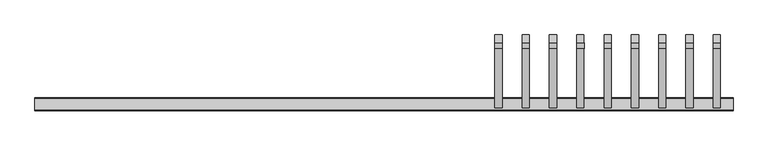
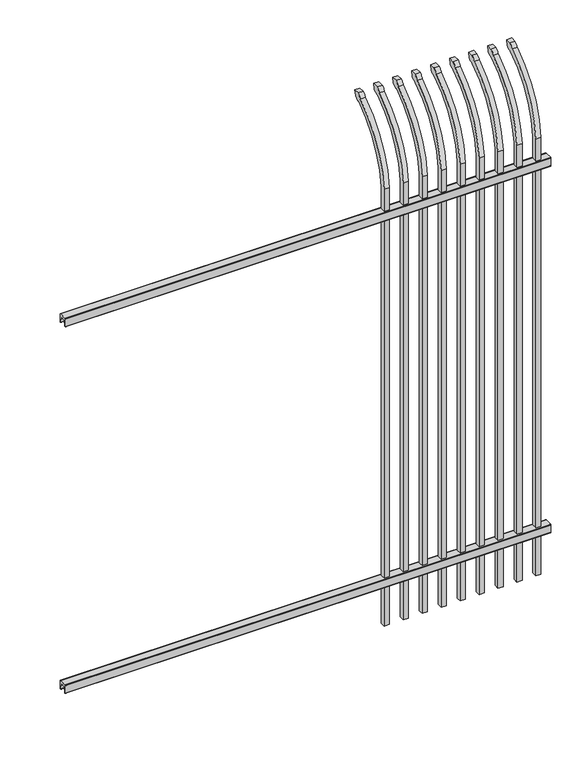
"""IFC4 building model written with IfcOpenShell, lengths in millimetres: railing geometry."""

from ifc_helpers import new_model, si_unit, point, frame, frame_2d, origin, place, context, project, spatial, polyline, circle_curve, ellipse_curve, trimmed, segment, composite_curve, outline, extrude, source, transform, mapped, element, save
from ifc_brep_helpers import plane_surface, cylinder_surface, revolved_surface, extruded_surface, advanced_brep


def railing_5bfc918d(model_context):
    return source(origin(), model_context, "Body", "SolidModel", [
        extrude(outline(composite_curve([segment(polyline([(10349.9139761, 304.8), (10387.969541, 304.8)]), True, "CONTINUOUS"), segment(trimmed(circle_curve(frame_2d((10387.969541, 301.625)), 3.175), [point((10387.969541, 304.8))], [point((10391.144541, 301.625))], False, "CARTESIAN"), True, "CONTINUOUS"), segment(polyline([(10391.144541, 301.625), (10391.144541, 262.1439893)]), True, "CONTINUOUS"), segment(trimmed(circle_curve(frame_2d((10389.3505518, 262.1439893)), 1.7939893), [point((10391.144541, 262.1439893))], [point((10389.3505518, 260.35))], False, "CARTESIAN"), True, "CONTINUOUS"), segment(polyline([(10389.3505518, 260.35), (10386.7590713, 260.35)]), True, "CONTINUOUS"), segment(trimmed(circle_curve(frame_2d((10386.7590713, 262.1359375)), 1.7859375), [point((10386.7590713, 260.35))], [point((10384.9755813, 262.0424688))], False, "CARTESIAN"), True, "CONTINUOUS"), segment(polyline([(10384.9755813, 262.0424688), (10383.4025867, 292.0569942), (10354.4364954, 292.0569942), (10352.8635007, 262.0424688)]), True, "CONTINUOUS"), segment(trimmed(circle_curve(frame_2d((10351.0800108, 262.1359375)), 1.7859375), [point((10352.8635007, 262.0424688))], [point((10351.0800108, 260.35))], False, "CARTESIAN"), True, "CONTINUOUS"), segment(polyline([(10351.0800108, 260.35), (10348.4804785, 260.35)]), True, "CONTINUOUS"), segment(trimmed(circle_curve(frame_2d((10348.4804785, 262.1359375)), 1.7859375), [point((10348.4804785, 260.35))], [point((10346.694541, 262.1359375))], False, "CARTESIAN"), True, "CONTINUOUS"), segment(polyline([(10346.694541, 262.1359375), (10346.694541, 301.5805649)]), True, "CONTINUOUS"), segment(trimmed(circle_curve(frame_2d((10349.9139761, 301.5805649)), 3.2194351), [point((10346.694541, 301.5805649))], [point((10349.9139761, 304.8))], False, "CARTESIAN"), True, "CONTINUOUS")], self_intersect=False)), frame((20019.7350064, 0.0, 0.0), z_axis=(1.0, 0.0, 0.0), x_axis=(0.0, 1.0, 0.0)), (0.0, 0.0, 1.0), 2438.4),
        extrude(outline(composite_curve([segment(polyline([(10349.9139761, 2251.075), (10387.969541, 2251.075)]), True, "CONTINUOUS"), segment(trimmed(circle_curve(frame_2d((10387.969541, 2247.9)), 3.175), [point((10387.969541, 2251.075))], [point((10391.144541, 2247.9))], False, "CARTESIAN"), True, "CONTINUOUS"), segment(polyline([(10391.144541, 2247.9), (10391.144541, 2208.4189893)]), True, "CONTINUOUS"), segment(trimmed(circle_curve(frame_2d((10389.3505518, 2208.4189893)), 1.7939893), [point((10391.144541, 2208.4189893))], [point((10389.3505518, 2206.625))], False, "CARTESIAN"), True, "CONTINUOUS"), segment(polyline([(10389.3505518, 2206.625), (10386.7590713, 2206.625)]), True, "CONTINUOUS"), segment(trimmed(circle_curve(frame_2d((10386.7590713, 2208.4109375)), 1.7859375), [point((10386.7590713, 2206.625))], [point((10384.9755813, 2208.3174688))], False, "CARTESIAN"), True, "CONTINUOUS"), segment(polyline([(10384.9755813, 2208.3174688), (10383.4025867, 2238.3319942), (10354.4364954, 2238.3319942), (10352.8635007, 2208.3174688)]), True, "CONTINUOUS"), segment(trimmed(circle_curve(frame_2d((10351.0800108, 2208.4109375)), 1.7859375), [point((10352.8635007, 2208.3174688))], [point((10351.0800108, 2206.625))], False, "CARTESIAN"), True, "CONTINUOUS"), segment(polyline([(10351.0800108, 2206.625), (10348.4804785, 2206.625)]), True, "CONTINUOUS"), segment(trimmed(circle_curve(frame_2d((10348.4804785, 2208.4109375)), 1.7859375), [point((10348.4804785, 2206.625))], [point((10346.694541, 2208.4109375))], False, "CARTESIAN"), True, "CONTINUOUS"), segment(polyline([(10346.694541, 2208.4109375), (10346.694541, 2247.8555649)]), True, "CONTINUOUS"), segment(trimmed(circle_curve(frame_2d((10349.9139761, 2247.8555649)), 3.2194351), [point((10346.694541, 2247.8555649))], [point((10349.9139761, 2251.075))], False, "CARTESIAN"), True, "CONTINUOUS")], self_intersect=False)), frame((20019.7350064, 0.0, 0.0), z_axis=(1.0, 0.0, 0.0), x_axis=(0.0, 1.0, 0.0)), (0.0, 0.0, 1.0), 2438.4),
        advanced_brep(
        [(22413.6850064, 10381.619541, 50.8), (22413.6850064, 10381.619541, 2368.7226889), (22413.6850064, 10578.7326851, 2700.9022378), (22413.6850064, 10605.2407099, 2715.5867549), (22413.6850064, 10611.1100864, 2743.2), (22413.6850064, 10582.8799449, 2743.2), (22413.6850064, 10563.4931591, 2722.2682561), (22413.6850064, 10356.219541, 2368.7226889), (22413.6850064, 10356.219541, 50.8), (22388.2850064, 10381.619541, 50.8), (22388.2850064, 10381.619541, 2368.7226889), (22388.2850064, 10356.219541, 2368.7226889), (22388.2850064, 10356.219541, 50.8), (22388.2850064, 10563.4931591, 2722.2682561), (22388.2850064, 10582.8799449, 2743.2), (22388.2850064, 10611.1100864, 2743.2), (22388.2850064, 10605.2407099, 2715.5867549), (22388.2850064, 10578.7326851, 2700.9022378)],
        [
            (0, 1),
            (1, 2, circle_curve(frame((22413.6850064, 10818.9874207, 2333.7640776), z_axis=(-1.0, 0.0, 0.0), x_axis=(0.0, 1.0, 0.0)), 438.7627681)),
            (2, 3, ellipse_curve(frame((22413.6850064, 10586.5579376, 2723.3180619), z_axis=(1.0, 0.0, 0.0), x_axis=(0.0, -0.7771459614569761, -0.6293203910498311)), 26.7460194, 19.05)),
            (3, 4),
            (4, 5),
            (5, 6, ellipse_curve(frame((22413.6850064, 10586.5579376, 2723.3180619), z_axis=(0.9999999999999999, 0.0, 0.0), x_axis=(0.0, -0.7771459614569763, -0.6293203910498306)), 26.7460194, 19.05)),
            (6, 7, circle_curve(frame((22413.6850064, 10818.0333244, 2335.5065933), z_axis=(1.0, 0.0, 0.0), x_axis=(0.0, 1.0, 0.0)), 463.0067812)),
            (7, 8),
            (8, 0),
            (0, 9),
            (9, 10),
            (10, 1),
            (7, 11),
            (11, 12),
            (12, 8),
            (12, 9),
            (11, 13, circle_curve(frame((22388.2850064, 10818.0333244, 2335.5065933), z_axis=(-1.0, 0.0, 0.0), x_axis=(0.0, 1.0, 0.0)), 463.0067812)),
            (13, 14, ellipse_curve(frame((22388.2850064, 10586.5579376, 2723.3180619), z_axis=(-0.9999999999999999, 0.0, 0.0), x_axis=(0.0, -0.7771459614569763, -0.6293203910498306)), 26.7460194, 19.05)),
            (14, 15),
            (15, 16),
            (16, 17, ellipse_curve(frame((22388.2850064, 10586.5579376, 2723.3180619), z_axis=(-1.0, 0.0, 0.0), x_axis=(0.0, -0.7771459614569761, -0.6293203910498311)), 26.7460194, 19.05)),
            (17, 10, circle_curve(frame((22388.2850064, 10818.9874207, 2333.7640776), z_axis=(1.0, 0.0, 0.0), x_axis=(0.0, 1.0, 0.0)), 438.7627681)),
            (17, 2),
            (16, 3),
            (15, 4),
            (14, 5),
            (13, 6),
        ],
        [
            plane_surface(frame((22413.6850064, 10381.619541, 50.8), z_axis=(1.0, 0.0, 0.0), x_axis=(0.0, 0.0, 1.0))),
            plane_surface(frame((22413.6850064, 10381.619541, 50.8), z_axis=(0.0, 1.0, 0.0), x_axis=(-1.0, 0.0, 0.0))),
            plane_surface(frame((22413.6850064, 10356.219541, 2368.7226889), z_axis=(0.0, -1.0, 0.0), x_axis=(-1.0, 0.0, 0.0))),
            plane_surface(frame((22413.6850064, 10356.219541, 50.8), z_axis=(0.0, 0.0, -1.0), x_axis=(-1.0, 0.0, 0.0))),
            plane_surface(frame((22388.2850064, 10381.619541, 50.8), z_axis=(-1.0, 0.0, 0.0), x_axis=(0.0, 0.0, -1.0))),
            revolved_surface(polyline([(22388.2850064, 11257.750188799999, 2333.7640776), (22413.6850064, 11257.750188799999, 2333.7640776)]), (22388.2850064, 10818.9874207, 2333.7640776), (-1.0, 0.0, 0.0)),
            extruded_surface(trimmed(ellipse_curve(frame((22362.8850064, 10586.5579376, 2723.3180619), z_axis=(1.0, 0.0, 0.0), x_axis=(0.0, -0.7771459614569761, -0.6293203910498311)), 26.7460194, 19.05), [point((22362.8850064, 10578.7326851, 2700.9022378))], [point((22362.8850064, 10605.2407099, 2715.5867549))], True, "CARTESIAN"), (25.400000000001455, 0.0, 0.0), 25.400000000001455),
            plane_surface(frame((22413.6850064, 10605.2407099, 2715.5867549), z_axis=(0.0, 0.9781476007337995, -0.2079116908177883), x_axis=(-1.0, 0.0, 0.0))),
            plane_surface(frame((22413.6850064, 10611.1100864, 2743.2), z_axis=(0.0, 0.0, 1.0), x_axis=(-1.0, 0.0, 0.0))),
            extruded_surface(trimmed(ellipse_curve(frame((22362.8850064, 10586.5579376, 2723.3180619), z_axis=(0.9999999999999999, 0.0, 0.0), x_axis=(0.0, -0.7771459614569763, -0.6293203910498306)), 26.7460194, 19.05), [point((22362.8850064, 10582.8799449, 2743.2))], [point((22362.8850064, 10563.4931591, 2722.2682561))], True, "CARTESIAN"), (25.400000000001455, 0.0, 0.0), 25.400000000001455),
            cylinder_surface(frame((22388.2850064, 10818.0333244, 2335.5065933), z_axis=(1.0, 0.0, 0.0), x_axis=(0.0, 1.0, 0.0)), 463.0067812),
        ],
        [
            (0, [[1, 2, 3, 4, 5, 6, 7, 8, 9]]),
            (1, [[-1, 10, 11, 12]]),
            (2, [[-8, 13, 14, 15]]),
            (3, [[-9, -15, 16, -10]]),
            (4, [[-16, -14, 17, 18, 19, 20, 21, 22, -11]]),
            (5, [[-2, -12, -22, 23]]),
            (6, [[-3, -23, -21, 24]]),
            (7, [[-4, -24, -20, 25]]),
            (8, [[-5, -25, -19, 26]]),
            (9, [[-6, -26, -18, 27]]),
            (10, [[-7, -27, -17, -13]]),
        ],
    ),
        advanced_brep(
        [(22318.4350064, 10381.619541, 50.8), (22318.4350064, 10381.619541, 2368.7226889), (22318.4350064, 10578.7326851, 2700.9022378), (22318.4350064, 10605.2407099, 2715.5867549), (22318.4350064, 10611.1100864, 2743.2), (22318.4350064, 10582.8799449, 2743.2), (22318.4350064, 10563.4931591, 2722.2682561), (22318.4350064, 10356.219541, 2368.7226889), (22318.4350064, 10356.219541, 50.8), (22293.0350064, 10381.619541, 50.8), (22293.0350064, 10381.619541, 2368.7226889), (22293.0350064, 10356.219541, 2368.7226889), (22293.0350064, 10356.219541, 50.8), (22293.0350064, 10563.4931591, 2722.2682561), (22293.0350064, 10582.8799449, 2743.2), (22293.0350064, 10611.1100864, 2743.2), (22293.0350064, 10605.2407099, 2715.5867549), (22293.0350064, 10578.7326851, 2700.9022378)],
        [
            (0, 1),
            (1, 2, circle_curve(frame((22318.4350064, 10818.9874207, 2333.7640776), z_axis=(-1.0, 0.0, 0.0), x_axis=(0.0, 1.0, 0.0)), 438.7627681)),
            (2, 3, ellipse_curve(frame((22318.4350064, 10586.5579376, 2723.3180619), z_axis=(1.0, 0.0, 0.0), x_axis=(0.0, -0.7771459614569761, -0.6293203910498311)), 26.7460194, 19.05)),
            (3, 4),
            (4, 5),
            (5, 6, ellipse_curve(frame((22318.4350064, 10586.5579376, 2723.3180619), z_axis=(0.9999999999999999, 0.0, 0.0), x_axis=(0.0, -0.7771459614569763, -0.6293203910498306)), 26.7460194, 19.05)),
            (6, 7, circle_curve(frame((22318.4350064, 10818.0333244, 2335.5065933), z_axis=(1.0, 0.0, 0.0), x_axis=(0.0, 1.0, 0.0)), 463.0067812)),
            (7, 8),
            (8, 0),
            (0, 9),
            (9, 10),
            (10, 1),
            (7, 11),
            (11, 12),
            (12, 8),
            (12, 9),
            (11, 13, circle_curve(frame((22293.0350064, 10818.0333244, 2335.5065933), z_axis=(-1.0, 0.0, 0.0), x_axis=(0.0, 1.0, 0.0)), 463.0067812)),
            (13, 14, ellipse_curve(frame((22293.0350064, 10586.5579376, 2723.3180619), z_axis=(-0.9999999999999999, 0.0, 0.0), x_axis=(0.0, -0.7771459614569763, -0.6293203910498306)), 26.7460194, 19.05)),
            (14, 15),
            (15, 16),
            (16, 17, ellipse_curve(frame((22293.0350064, 10586.5579376, 2723.3180619), z_axis=(-1.0, 0.0, 0.0), x_axis=(0.0, -0.7771459614569761, -0.6293203910498311)), 26.7460194, 19.05)),
            (17, 10, circle_curve(frame((22293.0350064, 10818.9874207, 2333.7640776), z_axis=(1.0, 0.0, 0.0), x_axis=(0.0, 1.0, 0.0)), 438.7627681)),
            (17, 2),
            (16, 3),
            (15, 4),
            (14, 5),
            (13, 6),
        ],
        [
            plane_surface(frame((22318.4350064, 10381.619541, 50.8), z_axis=(1.0, 0.0, 0.0), x_axis=(0.0, 0.0, 1.0))),
            plane_surface(frame((22318.4350064, 10381.619541, 50.8), z_axis=(0.0, 1.0, 0.0), x_axis=(-1.0, 0.0, 0.0))),
            plane_surface(frame((22318.4350064, 10356.219541, 2368.7226889), z_axis=(0.0, -1.0, 0.0), x_axis=(-1.0, 0.0, 0.0))),
            plane_surface(frame((22318.4350064, 10356.219541, 50.8), z_axis=(0.0, 0.0, -1.0), x_axis=(-1.0, 0.0, 0.0))),
            plane_surface(frame((22293.0350064, 10381.619541, 50.8), z_axis=(-1.0, 0.0, 0.0), x_axis=(0.0, 0.0, -1.0))),
            revolved_surface(polyline([(22293.0350064, 11257.750188799999, 2333.7640776), (22318.4350064, 11257.750188799999, 2333.7640776)]), (22293.0350064, 10818.9874207, 2333.7640776), (-1.0, 0.0, 0.0)),
            extruded_surface(trimmed(ellipse_curve(frame((22267.6350064, 10586.5579376, 2723.3180619), z_axis=(1.0, 0.0, 0.0), x_axis=(0.0, -0.7771459614569761, -0.6293203910498311)), 26.7460194, 19.05), [point((22267.6350064, 10578.7326851, 2700.9022378))], [point((22267.6350064, 10605.2407099, 2715.5867549))], True, "CARTESIAN"), (25.400000000001455, 0.0, 0.0), 25.400000000001455),
            plane_surface(frame((22318.4350064, 10605.2407099, 2715.5867549), z_axis=(0.0, 0.9781476007337995, -0.2079116908177883), x_axis=(-1.0, 0.0, 0.0))),
            plane_surface(frame((22318.4350064, 10611.1100864, 2743.2), z_axis=(0.0, 0.0, 1.0), x_axis=(-1.0, 0.0, 0.0))),
            extruded_surface(trimmed(ellipse_curve(frame((22267.6350064, 10586.5579376, 2723.3180619), z_axis=(0.9999999999999999, 0.0, 0.0), x_axis=(0.0, -0.7771459614569763, -0.6293203910498306)), 26.7460194, 19.05), [point((22267.6350064, 10582.8799449, 2743.2))], [point((22267.6350064, 10563.4931591, 2722.2682561))], True, "CARTESIAN"), (25.400000000001455, 0.0, 0.0), 25.400000000001455),
            cylinder_surface(frame((22293.0350064, 10818.0333244, 2335.5065933), z_axis=(1.0, 0.0, 0.0), x_axis=(0.0, 1.0, 0.0)), 463.0067812),
        ],
        [
            (0, [[1, 2, 3, 4, 5, 6, 7, 8, 9]]),
            (1, [[-1, 10, 11, 12]]),
            (2, [[-8, 13, 14, 15]]),
            (3, [[-9, -15, 16, -10]]),
            (4, [[-16, -14, 17, 18, 19, 20, 21, 22, -11]]),
            (5, [[-2, -12, -22, 23]]),
            (6, [[-3, -23, -21, 24]]),
            (7, [[-4, -24, -20, 25]]),
            (8, [[-5, -25, -19, 26]]),
            (9, [[-6, -26, -18, 27]]),
            (10, [[-7, -27, -17, -13]]),
        ],
    ),
        advanced_brep(
        [(22223.1850064, 10381.619541, 50.8), (22223.1850064, 10381.619541, 2368.7226889), (22223.1850064, 10578.7326851, 2700.9022378), (22223.1850064, 10605.2407099, 2715.5867549), (22223.1850064, 10611.1100864, 2743.2), (22223.1850064, 10582.8799449, 2743.2), (22223.1850064, 10563.4931591, 2722.2682561), (22223.1850064, 10356.219541, 2368.7226889), (22223.1850064, 10356.219541, 50.8), (22197.7850064, 10381.619541, 50.8), (22197.7850064, 10381.619541, 2368.7226889), (22197.7850064, 10356.219541, 2368.7226889), (22197.7850064, 10356.219541, 50.8), (22197.7850064, 10563.4931591, 2722.2682561), (22197.7850064, 10582.8799449, 2743.2), (22197.7850064, 10611.1100864, 2743.2), (22197.7850064, 10605.2407099, 2715.5867549), (22197.7850064, 10578.7326851, 2700.9022378)],
        [
            (0, 1),
            (1, 2, circle_curve(frame((22223.1850064, 10818.9874207, 2333.7640776), z_axis=(-1.0, 0.0, 0.0), x_axis=(0.0, 1.0, 0.0)), 438.7627681)),
            (2, 3, ellipse_curve(frame((22223.1850064, 10586.5579376, 2723.3180619), z_axis=(1.0, 0.0, 0.0), x_axis=(0.0, -0.7771459614569761, -0.6293203910498311)), 26.7460194, 19.05)),
            (3, 4),
            (4, 5),
            (5, 6, ellipse_curve(frame((22223.1850064, 10586.5579376, 2723.3180619), z_axis=(0.9999999999999999, 0.0, 0.0), x_axis=(0.0, -0.7771459614569763, -0.6293203910498306)), 26.7460194, 19.05)),
            (6, 7, circle_curve(frame((22223.1850064, 10818.0333244, 2335.5065933), z_axis=(1.0, 0.0, 0.0), x_axis=(0.0, 1.0, 0.0)), 463.0067812)),
            (7, 8),
            (8, 0),
            (0, 9),
            (9, 10),
            (10, 1),
            (7, 11),
            (11, 12),
            (12, 8),
            (12, 9),
            (11, 13, circle_curve(frame((22197.7850064, 10818.0333244, 2335.5065933), z_axis=(-1.0, 0.0, 0.0), x_axis=(0.0, 1.0, 0.0)), 463.0067812)),
            (13, 14, ellipse_curve(frame((22197.7850064, 10586.5579376, 2723.3180619), z_axis=(-0.9999999999999999, 0.0, 0.0), x_axis=(0.0, -0.7771459614569763, -0.6293203910498306)), 26.7460194, 19.05)),
            (14, 15),
            (15, 16),
            (16, 17, ellipse_curve(frame((22197.7850064, 10586.5579376, 2723.3180619), z_axis=(-1.0, 0.0, 0.0), x_axis=(0.0, -0.7771459614569761, -0.6293203910498311)), 26.7460194, 19.05)),
            (17, 10, circle_curve(frame((22197.7850064, 10818.9874207, 2333.7640776), z_axis=(1.0, 0.0, 0.0), x_axis=(0.0, 1.0, 0.0)), 438.7627681)),
            (17, 2),
            (16, 3),
            (15, 4),
            (14, 5),
            (13, 6),
        ],
        [
            plane_surface(frame((22223.1850064, 10381.619541, 50.8), z_axis=(1.0, 0.0, 0.0), x_axis=(0.0, 0.0, 1.0))),
            plane_surface(frame((22223.1850064, 10381.619541, 50.8), z_axis=(0.0, 1.0, 0.0), x_axis=(-1.0, 0.0, 0.0))),
            plane_surface(frame((22223.1850064, 10356.219541, 2368.7226889), z_axis=(0.0, -1.0, 0.0), x_axis=(-1.0, 0.0, 0.0))),
            plane_surface(frame((22223.1850064, 10356.219541, 50.8), z_axis=(0.0, 0.0, -1.0), x_axis=(-1.0, 0.0, 0.0))),
            plane_surface(frame((22197.7850064, 10381.619541, 50.8), z_axis=(-1.0, 0.0, 0.0), x_axis=(0.0, 0.0, -1.0))),
            revolved_surface(polyline([(22197.7850064, 11257.750188799999, 2333.7640776), (22223.1850064, 11257.750188799999, 2333.7640776)]), (22197.7850064, 10818.9874207, 2333.7640776), (-1.0, 0.0, 0.0)),
            extruded_surface(trimmed(ellipse_curve(frame((22172.3850064, 10586.5579376, 2723.3180619), z_axis=(1.0, 0.0, 0.0), x_axis=(0.0, -0.7771459614569761, -0.6293203910498311)), 26.7460194, 19.05), [point((22172.3850064, 10578.7326851, 2700.9022378))], [point((22172.3850064, 10605.2407099, 2715.5867549))], True, "CARTESIAN"), (25.400000000001455, 0.0, 0.0), 25.400000000001455),
            plane_surface(frame((22223.1850064, 10605.2407099, 2715.5867549), z_axis=(0.0, 0.9781476007337995, -0.2079116908177883), x_axis=(-1.0, 0.0, 0.0))),
            plane_surface(frame((22223.1850064, 10611.1100864, 2743.2), z_axis=(0.0, 0.0, 1.0), x_axis=(-1.0, 0.0, 0.0))),
            extruded_surface(trimmed(ellipse_curve(frame((22172.3850064, 10586.5579376, 2723.3180619), z_axis=(0.9999999999999999, 0.0, 0.0), x_axis=(0.0, -0.7771459614569763, -0.6293203910498306)), 26.7460194, 19.05), [point((22172.3850064, 10582.8799449, 2743.2))], [point((22172.3850064, 10563.4931591, 2722.2682561))], True, "CARTESIAN"), (25.400000000001455, 0.0, 0.0), 25.400000000001455),
            cylinder_surface(frame((22197.7850064, 10818.0333244, 2335.5065933), z_axis=(1.0, 0.0, 0.0), x_axis=(0.0, 1.0, 0.0)), 463.0067812),
        ],
        [
            (0, [[1, 2, 3, 4, 5, 6, 7, 8, 9]]),
            (1, [[-1, 10, 11, 12]]),
            (2, [[-8, 13, 14, 15]]),
            (3, [[-9, -15, 16, -10]]),
            (4, [[-16, -14, 17, 18, 19, 20, 21, 22, -11]]),
            (5, [[-2, -12, -22, 23]]),
            (6, [[-3, -23, -21, 24]]),
            (7, [[-4, -24, -20, 25]]),
            (8, [[-5, -25, -19, 26]]),
            (9, [[-6, -26, -18, 27]]),
            (10, [[-7, -27, -17, -13]]),
        ],
    ),
        advanced_brep(
        [(22127.9350064, 10381.619541, 50.8), (22127.9350064, 10381.619541, 2368.7226889), (22127.9350064, 10578.7326851, 2700.9022378), (22127.9350064, 10605.2407099, 2715.5867549), (22127.9350064, 10611.1100864, 2743.2), (22127.9350064, 10582.8799449, 2743.2), (22127.9350064, 10563.4931591, 2722.2682561), (22127.9350064, 10356.219541, 2368.7226889), (22127.9350064, 10356.219541, 50.8), (22102.5350064, 10381.619541, 50.8), (22102.5350064, 10381.619541, 2368.7226889), (22102.5350064, 10356.219541, 2368.7226889), (22102.5350064, 10356.219541, 50.8), (22102.5350064, 10563.4931591, 2722.2682561), (22102.5350064, 10582.8799449, 2743.2), (22102.5350064, 10611.1100864, 2743.2), (22102.5350064, 10605.2407099, 2715.5867549), (22102.5350064, 10578.7326851, 2700.9022378)],
        [
            (0, 1),
            (1, 2, circle_curve(frame((22127.9350064, 10818.9874207, 2333.7640776), z_axis=(-1.0, 0.0, 0.0), x_axis=(0.0, 1.0, 0.0)), 438.7627681)),
            (2, 3, ellipse_curve(frame((22127.9350064, 10586.5579376, 2723.3180619), z_axis=(1.0, 0.0, 0.0), x_axis=(0.0, -0.7771459614569761, -0.6293203910498311)), 26.7460194, 19.05)),
            (3, 4),
            (4, 5),
            (5, 6, ellipse_curve(frame((22127.9350064, 10586.5579376, 2723.3180619), z_axis=(0.9999999999999999, 0.0, 0.0), x_axis=(0.0, -0.7771459614569763, -0.6293203910498306)), 26.7460194, 19.05)),
            (6, 7, circle_curve(frame((22127.9350064, 10818.0333244, 2335.5065933), z_axis=(1.0, 0.0, 0.0), x_axis=(0.0, 1.0, 0.0)), 463.0067812)),
            (7, 8),
            (8, 0),
            (0, 9),
            (9, 10),
            (10, 1),
            (7, 11),
            (11, 12),
            (12, 8),
            (12, 9),
            (11, 13, circle_curve(frame((22102.5350064, 10818.0333244, 2335.5065933), z_axis=(-1.0, 0.0, 0.0), x_axis=(0.0, 1.0, 0.0)), 463.0067812)),
            (13, 14, ellipse_curve(frame((22102.5350064, 10586.5579376, 2723.3180619), z_axis=(-0.9999999999999999, 0.0, 0.0), x_axis=(0.0, -0.7771459614569763, -0.6293203910498306)), 26.7460194, 19.05)),
            (14, 15),
            (15, 16),
            (16, 17, ellipse_curve(frame((22102.5350064, 10586.5579376, 2723.3180619), z_axis=(-1.0, 0.0, 0.0), x_axis=(0.0, -0.7771459614569761, -0.6293203910498311)), 26.7460194, 19.05)),
            (17, 10, circle_curve(frame((22102.5350064, 10818.9874207, 2333.7640776), z_axis=(1.0, 0.0, 0.0), x_axis=(0.0, 1.0, 0.0)), 438.7627681)),
            (17, 2),
            (16, 3),
            (15, 4),
            (14, 5),
            (13, 6),
        ],
        [
            plane_surface(frame((22127.9350064, 10381.619541, 50.8), z_axis=(1.0, 0.0, 0.0), x_axis=(0.0, 0.0, 1.0))),
            plane_surface(frame((22127.9350064, 10381.619541, 50.8), z_axis=(0.0, 1.0, 0.0), x_axis=(-1.0, 0.0, 0.0))),
            plane_surface(frame((22127.9350064, 10356.219541, 2368.7226889), z_axis=(0.0, -1.0, 0.0), x_axis=(-1.0, 0.0, 0.0))),
            plane_surface(frame((22127.9350064, 10356.219541, 50.8), z_axis=(0.0, 0.0, -1.0), x_axis=(-1.0, 0.0, 0.0))),
            plane_surface(frame((22102.5350064, 10381.619541, 50.8), z_axis=(-1.0, 0.0, 0.0), x_axis=(0.0, 0.0, -1.0))),
            revolved_surface(polyline([(22102.5350064, 11257.750188799999, 2333.7640776), (22127.9350064, 11257.750188799999, 2333.7640776)]), (22102.5350064, 10818.9874207, 2333.7640776), (-1.0, 0.0, 0.0)),
            extruded_surface(trimmed(ellipse_curve(frame((22077.1350064, 10586.5579376, 2723.3180619), z_axis=(1.0, 0.0, 0.0), x_axis=(0.0, -0.7771459614569761, -0.6293203910498311)), 26.7460194, 19.05), [point((22077.1350064, 10578.7326851, 2700.9022378))], [point((22077.1350064, 10605.2407099, 2715.5867549))], True, "CARTESIAN"), (25.400000000001455, 0.0, 0.0), 25.400000000001455),
            plane_surface(frame((22127.9350064, 10605.2407099, 2715.5867549), z_axis=(0.0, 0.9781476007337995, -0.2079116908177883), x_axis=(-1.0, 0.0, 0.0))),
            plane_surface(frame((22127.9350064, 10611.1100864, 2743.2), z_axis=(0.0, 0.0, 1.0), x_axis=(-1.0, 0.0, 0.0))),
            extruded_surface(trimmed(ellipse_curve(frame((22077.1350064, 10586.5579376, 2723.3180619), z_axis=(0.9999999999999999, 0.0, 0.0), x_axis=(0.0, -0.7771459614569763, -0.6293203910498306)), 26.7460194, 19.05), [point((22077.1350064, 10582.8799449, 2743.2))], [point((22077.1350064, 10563.4931591, 2722.2682561))], True, "CARTESIAN"), (25.400000000001455, 0.0, 0.0), 25.400000000001455),
            cylinder_surface(frame((22102.5350064, 10818.0333244, 2335.5065933), z_axis=(1.0, 0.0, 0.0), x_axis=(0.0, 1.0, 0.0)), 463.0067812),
        ],
        [
            (0, [[1, 2, 3, 4, 5, 6, 7, 8, 9]]),
            (1, [[-1, 10, 11, 12]]),
            (2, [[-8, 13, 14, 15]]),
            (3, [[-9, -15, 16, -10]]),
            (4, [[-16, -14, 17, 18, 19, 20, 21, 22, -11]]),
            (5, [[-2, -12, -22, 23]]),
            (6, [[-3, -23, -21, 24]]),
            (7, [[-4, -24, -20, 25]]),
            (8, [[-5, -25, -19, 26]]),
            (9, [[-6, -26, -18, 27]]),
            (10, [[-7, -27, -17, -13]]),
        ],
    ),
        advanced_brep(
        [(22032.6850064, 10381.619541, 50.8), (22032.6850064, 10381.619541, 2368.7226889), (22032.6850064, 10578.7326851, 2700.9022378), (22032.6850064, 10605.2407099, 2715.5867549), (22032.6850064, 10611.1100864, 2743.2), (22032.6850064, 10582.8799449, 2743.2), (22032.6850064, 10563.4931591, 2722.2682561), (22032.6850064, 10356.219541, 2368.7226889), (22032.6850064, 10356.219541, 50.8), (22007.2850064, 10381.619541, 50.8), (22007.2850064, 10381.619541, 2368.7226889), (22007.2850064, 10356.219541, 2368.7226889), (22007.2850064, 10356.219541, 50.8), (22007.2850064, 10563.4931591, 2722.2682561), (22007.2850064, 10582.8799449, 2743.2), (22007.2850064, 10611.1100864, 2743.2), (22007.2850064, 10605.2407099, 2715.5867549), (22007.2850064, 10578.7326851, 2700.9022378)],
        [
            (0, 1),
            (1, 2, circle_curve(frame((22032.6850064, 10818.9874207, 2333.7640776), z_axis=(-1.0, 0.0, 0.0), x_axis=(0.0, 1.0, 0.0)), 438.7627681)),
            (2, 3, ellipse_curve(frame((22032.6850064, 10586.5579376, 2723.3180619), z_axis=(1.0, 0.0, 0.0), x_axis=(0.0, -0.7771459614569761, -0.6293203910498311)), 26.7460194, 19.05)),
            (3, 4),
            (4, 5),
            (5, 6, ellipse_curve(frame((22032.6850064, 10586.5579376, 2723.3180619), z_axis=(0.9999999999999999, 0.0, 0.0), x_axis=(0.0, -0.7771459614569763, -0.6293203910498306)), 26.7460194, 19.05)),
            (6, 7, circle_curve(frame((22032.6850064, 10818.0333244, 2335.5065933), z_axis=(1.0, 0.0, 0.0), x_axis=(0.0, 1.0, 0.0)), 463.0067812)),
            (7, 8),
            (8, 0),
            (0, 9),
            (9, 10),
            (10, 1),
            (7, 11),
            (11, 12),
            (12, 8),
            (12, 9),
            (11, 13, circle_curve(frame((22007.2850064, 10818.0333244, 2335.5065933), z_axis=(-1.0, 0.0, 0.0), x_axis=(0.0, 1.0, 0.0)), 463.0067812)),
            (13, 14, ellipse_curve(frame((22007.2850064, 10586.5579376, 2723.3180619), z_axis=(-0.9999999999999999, 0.0, 0.0), x_axis=(0.0, -0.7771459614569763, -0.6293203910498306)), 26.7460194, 19.05)),
            (14, 15),
            (15, 16),
            (16, 17, ellipse_curve(frame((22007.2850064, 10586.5579376, 2723.3180619), z_axis=(-1.0, 0.0, 0.0), x_axis=(0.0, -0.7771459614569761, -0.6293203910498311)), 26.7460194, 19.05)),
            (17, 10, circle_curve(frame((22007.2850064, 10818.9874207, 2333.7640776), z_axis=(1.0, 0.0, 0.0), x_axis=(0.0, 1.0, 0.0)), 438.7627681)),
            (17, 2),
            (16, 3),
            (15, 4),
            (14, 5),
            (13, 6),
        ],
        [
            plane_surface(frame((22032.6850064, 10381.619541, 50.8), z_axis=(1.0, 0.0, 0.0), x_axis=(0.0, 0.0, 1.0))),
            plane_surface(frame((22032.6850064, 10381.619541, 50.8), z_axis=(0.0, 1.0, 0.0), x_axis=(-1.0, 0.0, 0.0))),
            plane_surface(frame((22032.6850064, 10356.219541, 2368.7226889), z_axis=(0.0, -1.0, 0.0), x_axis=(-1.0, 0.0, 0.0))),
            plane_surface(frame((22032.6850064, 10356.219541, 50.8), z_axis=(0.0, 0.0, -1.0), x_axis=(-1.0, 0.0, 0.0))),
            plane_surface(frame((22007.2850064, 10381.619541, 50.8), z_axis=(-1.0, 0.0, 0.0), x_axis=(0.0, 0.0, -1.0))),
            revolved_surface(polyline([(22007.2850064, 11257.750188799999, 2333.7640776), (22032.6850064, 11257.750188799999, 2333.7640776)]), (22007.2850064, 10818.9874207, 2333.7640776), (-1.0, 0.0, 0.0)),
            extruded_surface(trimmed(ellipse_curve(frame((21981.8850064, 10586.5579376, 2723.3180619), z_axis=(1.0, 0.0, 0.0), x_axis=(0.0, -0.7771459614569761, -0.6293203910498311)), 26.7460194, 19.05), [point((21981.8850064, 10578.7326851, 2700.9022378))], [point((21981.8850064, 10605.2407099, 2715.5867549))], True, "CARTESIAN"), (25.400000000001455, 0.0, 0.0), 25.400000000001455),
            plane_surface(frame((22032.6850064, 10605.2407099, 2715.5867549), z_axis=(0.0, 0.9781476007337995, -0.2079116908177883), x_axis=(-1.0, 0.0, 0.0))),
            plane_surface(frame((22032.6850064, 10611.1100864, 2743.2), z_axis=(0.0, 0.0, 1.0), x_axis=(-1.0, 0.0, 0.0))),
            extruded_surface(trimmed(ellipse_curve(frame((21981.8850064, 10586.5579376, 2723.3180619), z_axis=(0.9999999999999999, 0.0, 0.0), x_axis=(0.0, -0.7771459614569763, -0.6293203910498306)), 26.7460194, 19.05), [point((21981.8850064, 10582.8799449, 2743.2))], [point((21981.8850064, 10563.4931591, 2722.2682561))], True, "CARTESIAN"), (25.400000000001455, 0.0, 0.0), 25.400000000001455),
            cylinder_surface(frame((22007.2850064, 10818.0333244, 2335.5065933), z_axis=(1.0, 0.0, 0.0), x_axis=(0.0, 1.0, 0.0)), 463.0067812),
        ],
        [
            (0, [[1, 2, 3, 4, 5, 6, 7, 8, 9]]),
            (1, [[-1, 10, 11, 12]]),
            (2, [[-8, 13, 14, 15]]),
            (3, [[-9, -15, 16, -10]]),
            (4, [[-16, -14, 17, 18, 19, 20, 21, 22, -11]]),
            (5, [[-2, -12, -22, 23]]),
            (6, [[-3, -23, -21, 24]]),
            (7, [[-4, -24, -20, 25]]),
            (8, [[-5, -25, -19, 26]]),
            (9, [[-6, -26, -18, 27]]),
            (10, [[-7, -27, -17, -13]]),
        ],
    ),
        advanced_brep(
        [(21937.4350064, 10381.619541, 50.8), (21937.4350064, 10381.619541, 2368.7226889), (21937.4350064, 10578.7326851, 2700.9022378), (21937.4350064, 10605.2407099, 2715.5867549), (21937.4350064, 10611.1100864, 2743.2), (21937.4350064, 10582.8799449, 2743.2), (21937.4350064, 10563.4931591, 2722.2682561), (21937.4350064, 10356.219541, 2368.7226889), (21937.4350064, 10356.219541, 50.8), (21912.0350064, 10381.619541, 50.8), (21912.0350064, 10381.619541, 2368.7226889), (21912.0350064, 10356.219541, 2368.7226889), (21912.0350064, 10356.219541, 50.8), (21912.0350064, 10563.4931591, 2722.2682561), (21912.0350064, 10582.8799449, 2743.2), (21912.0350064, 10611.1100864, 2743.2), (21912.0350064, 10605.2407099, 2715.5867549), (21912.0350064, 10578.7326851, 2700.9022378)],
        [
            (0, 1),
            (1, 2, circle_curve(frame((21937.4350064, 10818.9874207, 2333.7640776), z_axis=(-1.0, 0.0, 0.0), x_axis=(0.0, 1.0, 0.0)), 438.7627681)),
            (2, 3, ellipse_curve(frame((21937.4350064, 10586.5579376, 2723.3180619), z_axis=(1.0, 0.0, 0.0), x_axis=(0.0, -0.7771459614569761, -0.6293203910498311)), 26.7460194, 19.05)),
            (3, 4),
            (4, 5),
            (5, 6, ellipse_curve(frame((21937.4350064, 10586.5579376, 2723.3180619), z_axis=(0.9999999999999999, 0.0, 0.0), x_axis=(0.0, -0.7771459614569763, -0.6293203910498306)), 26.7460194, 19.05)),
            (6, 7, circle_curve(frame((21937.4350064, 10818.0333244, 2335.5065933), z_axis=(1.0, 0.0, 0.0), x_axis=(0.0, 1.0, 0.0)), 463.0067812)),
            (7, 8),
            (8, 0),
            (0, 9),
            (9, 10),
            (10, 1),
            (7, 11),
            (11, 12),
            (12, 8),
            (12, 9),
            (11, 13, circle_curve(frame((21912.0350064, 10818.0333244, 2335.5065933), z_axis=(-1.0, 0.0, 0.0), x_axis=(0.0, 1.0, 0.0)), 463.0067812)),
            (13, 14, ellipse_curve(frame((21912.0350064, 10586.5579376, 2723.3180619), z_axis=(-0.9999999999999999, 0.0, 0.0), x_axis=(0.0, -0.7771459614569763, -0.6293203910498306)), 26.7460194, 19.05)),
            (14, 15),
            (15, 16),
            (16, 17, ellipse_curve(frame((21912.0350064, 10586.5579376, 2723.3180619), z_axis=(-1.0, 0.0, 0.0), x_axis=(0.0, -0.7771459614569761, -0.6293203910498311)), 26.7460194, 19.05)),
            (17, 10, circle_curve(frame((21912.0350064, 10818.9874207, 2333.7640776), z_axis=(1.0, 0.0, 0.0), x_axis=(0.0, 1.0, 0.0)), 438.7627681)),
            (17, 2),
            (16, 3),
            (15, 4),
            (14, 5),
            (13, 6),
        ],
        [
            plane_surface(frame((21937.4350064, 10381.619541, 50.8), z_axis=(1.0, 0.0, 0.0), x_axis=(0.0, 0.0, 1.0))),
            plane_surface(frame((21937.4350064, 10381.619541, 50.8), z_axis=(0.0, 1.0, 0.0), x_axis=(-1.0, 0.0, 0.0))),
            plane_surface(frame((21937.4350064, 10356.219541, 2368.7226889), z_axis=(0.0, -1.0, 0.0), x_axis=(-1.0, 0.0, 0.0))),
            plane_surface(frame((21937.4350064, 10356.219541, 50.8), z_axis=(0.0, 0.0, -1.0), x_axis=(-1.0, 0.0, 0.0))),
            plane_surface(frame((21912.0350064, 10381.619541, 50.8), z_axis=(-1.0, 0.0, 0.0), x_axis=(0.0, 0.0, -1.0))),
            revolved_surface(polyline([(21912.0350064, 11257.750188799999, 2333.7640776), (21937.4350064, 11257.750188799999, 2333.7640776)]), (21912.0350064, 10818.9874207, 2333.7640776), (-1.0, 0.0, 0.0)),
            extruded_surface(trimmed(ellipse_curve(frame((21886.6350064, 10586.5579376, 2723.3180619), z_axis=(1.0, 0.0, 0.0), x_axis=(0.0, -0.7771459614569761, -0.6293203910498311)), 26.7460194, 19.05), [point((21886.6350064, 10578.7326851, 2700.9022378))], [point((21886.6350064, 10605.2407099, 2715.5867549))], True, "CARTESIAN"), (25.400000000001455, 0.0, 0.0), 25.400000000001455),
            plane_surface(frame((21937.4350064, 10605.2407099, 2715.5867549), z_axis=(0.0, 0.9781476007337995, -0.2079116908177883), x_axis=(-1.0, 0.0, 0.0))),
            plane_surface(frame((21937.4350064, 10611.1100864, 2743.2), z_axis=(0.0, 0.0, 1.0), x_axis=(-1.0, 0.0, 0.0))),
            extruded_surface(trimmed(ellipse_curve(frame((21886.6350064, 10586.5579376, 2723.3180619), z_axis=(0.9999999999999999, 0.0, 0.0), x_axis=(0.0, -0.7771459614569763, -0.6293203910498306)), 26.7460194, 19.05), [point((21886.6350064, 10582.8799449, 2743.2))], [point((21886.6350064, 10563.4931591, 2722.2682561))], True, "CARTESIAN"), (25.400000000001455, 0.0, 0.0), 25.400000000001455),
            cylinder_surface(frame((21912.0350064, 10818.0333244, 2335.5065933), z_axis=(1.0, 0.0, 0.0), x_axis=(0.0, 1.0, 0.0)), 463.0067812),
        ],
        [
            (0, [[1, 2, 3, 4, 5, 6, 7, 8, 9]]),
            (1, [[-1, 10, 11, 12]]),
            (2, [[-8, 13, 14, 15]]),
            (3, [[-9, -15, 16, -10]]),
            (4, [[-16, -14, 17, 18, 19, 20, 21, 22, -11]]),
            (5, [[-2, -12, -22, 23]]),
            (6, [[-3, -23, -21, 24]]),
            (7, [[-4, -24, -20, 25]]),
            (8, [[-5, -25, -19, 26]]),
            (9, [[-6, -26, -18, 27]]),
            (10, [[-7, -27, -17, -13]]),
        ],
    ),
        advanced_brep(
        [(21842.1850064, 10381.619541, 50.8), (21842.1850064, 10381.619541, 2368.7226889), (21842.1850064, 10578.7326851, 2700.9022378), (21842.1850064, 10605.2407099, 2715.5867549), (21842.1850064, 10611.1100864, 2743.2), (21842.1850064, 10582.8799449, 2743.2), (21842.1850064, 10563.4931591, 2722.2682561), (21842.1850064, 10356.219541, 2368.7226889), (21842.1850064, 10356.219541, 50.8), (21816.7850064, 10381.619541, 50.8), (21816.7850064, 10381.619541, 2368.7226889), (21816.7850064, 10356.219541, 2368.7226889), (21816.7850064, 10356.219541, 50.8), (21816.7850064, 10563.4931591, 2722.2682561), (21816.7850064, 10582.8799449, 2743.2), (21816.7850064, 10611.1100864, 2743.2), (21816.7850064, 10605.2407099, 2715.5867549), (21816.7850064, 10578.7326851, 2700.9022378)],
        [
            (0, 1),
            (1, 2, circle_curve(frame((21842.1850064, 10818.9874207, 2333.7640776), z_axis=(-1.0, 0.0, 0.0), x_axis=(0.0, 1.0, 0.0)), 438.7627681)),
            (2, 3, ellipse_curve(frame((21842.1850064, 10586.5579376, 2723.3180619), z_axis=(1.0, 0.0, 0.0), x_axis=(0.0, -0.7771459614569761, -0.6293203910498311)), 26.7460194, 19.05)),
            (3, 4),
            (4, 5),
            (5, 6, ellipse_curve(frame((21842.1850064, 10586.5579376, 2723.3180619), z_axis=(0.9999999999999999, 0.0, 0.0), x_axis=(0.0, -0.7771459614569763, -0.6293203910498306)), 26.7460194, 19.05)),
            (6, 7, circle_curve(frame((21842.1850064, 10818.0333244, 2335.5065933), z_axis=(1.0, 0.0, 0.0), x_axis=(0.0, 1.0, 0.0)), 463.0067812)),
            (7, 8),
            (8, 0),
            (0, 9),
            (9, 10),
            (10, 1),
            (7, 11),
            (11, 12),
            (12, 8),
            (12, 9),
            (11, 13, circle_curve(frame((21816.7850064, 10818.0333244, 2335.5065933), z_axis=(-1.0, 0.0, 0.0), x_axis=(0.0, 1.0, 0.0)), 463.0067812)),
            (13, 14, ellipse_curve(frame((21816.7850064, 10586.5579376, 2723.3180619), z_axis=(-0.9999999999999999, 0.0, 0.0), x_axis=(0.0, -0.7771459614569763, -0.6293203910498306)), 26.7460194, 19.05)),
            (14, 15),
            (15, 16),
            (16, 17, ellipse_curve(frame((21816.7850064, 10586.5579376, 2723.3180619), z_axis=(-1.0, 0.0, 0.0), x_axis=(0.0, -0.7771459614569761, -0.6293203910498311)), 26.7460194, 19.05)),
            (17, 10, circle_curve(frame((21816.7850064, 10818.9874207, 2333.7640776), z_axis=(1.0, 0.0, 0.0), x_axis=(0.0, 1.0, 0.0)), 438.7627681)),
            (17, 2),
            (16, 3),
            (15, 4),
            (14, 5),
            (13, 6),
        ],
        [
            plane_surface(frame((21842.1850064, 10381.619541, 50.8), z_axis=(1.0, 0.0, 0.0), x_axis=(0.0, 0.0, 1.0))),
            plane_surface(frame((21842.1850064, 10381.619541, 50.8), z_axis=(0.0, 1.0, 0.0), x_axis=(-1.0, 0.0, 0.0))),
            plane_surface(frame((21842.1850064, 10356.219541, 2368.7226889), z_axis=(0.0, -1.0, 0.0), x_axis=(-1.0, 0.0, 0.0))),
            plane_surface(frame((21842.1850064, 10356.219541, 50.8), z_axis=(0.0, 0.0, -1.0), x_axis=(-1.0, 0.0, 0.0))),
            plane_surface(frame((21816.7850064, 10381.619541, 50.8), z_axis=(-1.0, 0.0, 0.0), x_axis=(0.0, 0.0, -1.0))),
            revolved_surface(polyline([(21816.7850064, 11257.750188799999, 2333.7640776), (21842.1850064, 11257.750188799999, 2333.7640776)]), (21816.7850064, 10818.9874207, 2333.7640776), (-1.0, 0.0, 0.0)),
            extruded_surface(trimmed(ellipse_curve(frame((21791.3850064, 10586.5579376, 2723.3180619), z_axis=(1.0, 0.0, 0.0), x_axis=(0.0, -0.7771459614569761, -0.6293203910498311)), 26.7460194, 19.05), [point((21791.3850064, 10578.7326851, 2700.9022378))], [point((21791.3850064, 10605.2407099, 2715.5867549))], True, "CARTESIAN"), (25.400000000001455, 0.0, 0.0), 25.400000000001455),
            plane_surface(frame((21842.1850064, 10605.2407099, 2715.5867549), z_axis=(0.0, 0.9781476007337995, -0.2079116908177883), x_axis=(-1.0, 0.0, 0.0))),
            plane_surface(frame((21842.1850064, 10611.1100864, 2743.2), z_axis=(0.0, 0.0, 1.0), x_axis=(-1.0, 0.0, 0.0))),
            extruded_surface(trimmed(ellipse_curve(frame((21791.3850064, 10586.5579376, 2723.3180619), z_axis=(0.9999999999999999, 0.0, 0.0), x_axis=(0.0, -0.7771459614569763, -0.6293203910498306)), 26.7460194, 19.05), [point((21791.3850064, 10582.8799449, 2743.2))], [point((21791.3850064, 10563.4931591, 2722.2682561))], True, "CARTESIAN"), (25.400000000001455, 0.0, 0.0), 25.400000000001455),
            cylinder_surface(frame((21816.7850064, 10818.0333244, 2335.5065933), z_axis=(1.0, 0.0, 0.0), x_axis=(0.0, 1.0, 0.0)), 463.0067812),
        ],
        [
            (0, [[1, 2, 3, 4, 5, 6, 7, 8, 9]]),
            (1, [[-1, 10, 11, 12]]),
            (2, [[-8, 13, 14, 15]]),
            (3, [[-9, -15, 16, -10]]),
            (4, [[-16, -14, 17, 18, 19, 20, 21, 22, -11]]),
            (5, [[-2, -12, -22, 23]]),
            (6, [[-3, -23, -21, 24]]),
            (7, [[-4, -24, -20, 25]]),
            (8, [[-5, -25, -19, 26]]),
            (9, [[-6, -26, -18, 27]]),
            (10, [[-7, -27, -17, -13]]),
        ],
    ),
        advanced_brep(
        [(21746.9350064, 10381.619541, 50.8), (21746.9350064, 10381.619541, 2368.7226889), (21746.9350064, 10578.7326851, 2700.9022378), (21746.9350064, 10605.2407099, 2715.5867549), (21746.9350064, 10611.1100864, 2743.2), (21746.9350064, 10582.8799449, 2743.2), (21746.9350064, 10563.4931591, 2722.2682561), (21746.9350064, 10356.219541, 2368.7226889), (21746.9350064, 10356.219541, 50.8), (21721.5350064, 10381.619541, 50.8), (21721.5350064, 10381.619541, 2368.7226889), (21721.5350064, 10356.219541, 2368.7226889), (21721.5350064, 10356.219541, 50.8), (21721.5350064, 10563.4931591, 2722.2682561), (21721.5350064, 10582.8799449, 2743.2), (21721.5350064, 10611.1100864, 2743.2), (21721.5350064, 10605.2407099, 2715.5867549), (21721.5350064, 10578.7326851, 2700.9022378)],
        [
            (0, 1),
            (1, 2, circle_curve(frame((21746.9350064, 10818.9874207, 2333.7640776), z_axis=(-1.0, 0.0, 0.0), x_axis=(0.0, 1.0, 0.0)), 438.7627681)),
            (2, 3, ellipse_curve(frame((21746.9350064, 10586.5579376, 2723.3180619), z_axis=(1.0, 0.0, 0.0), x_axis=(0.0, -0.7771459614569761, -0.6293203910498311)), 26.7460194, 19.05)),
            (3, 4),
            (4, 5),
            (5, 6, ellipse_curve(frame((21746.9350064, 10586.5579376, 2723.3180619), z_axis=(0.9999999999999999, 0.0, 0.0), x_axis=(0.0, -0.7771459614569763, -0.6293203910498306)), 26.7460194, 19.05)),
            (6, 7, circle_curve(frame((21746.9350064, 10818.0333244, 2335.5065933), z_axis=(1.0, 0.0, 0.0), x_axis=(0.0, 1.0, 0.0)), 463.0067812)),
            (7, 8),
            (8, 0),
            (0, 9),
            (9, 10),
            (10, 1),
            (7, 11),
            (11, 12),
            (12, 8),
            (12, 9),
            (11, 13, circle_curve(frame((21721.5350064, 10818.0333244, 2335.5065933), z_axis=(-1.0, 0.0, 0.0), x_axis=(0.0, 1.0, 0.0)), 463.0067812)),
            (13, 14, ellipse_curve(frame((21721.5350064, 10586.5579376, 2723.3180619), z_axis=(-0.9999999999999999, 0.0, 0.0), x_axis=(0.0, -0.7771459614569763, -0.6293203910498306)), 26.7460194, 19.05)),
            (14, 15),
            (15, 16),
            (16, 17, ellipse_curve(frame((21721.5350064, 10586.5579376, 2723.3180619), z_axis=(-1.0, 0.0, 0.0), x_axis=(0.0, -0.7771459614569761, -0.6293203910498311)), 26.7460194, 19.05)),
            (17, 10, circle_curve(frame((21721.5350064, 10818.9874207, 2333.7640776), z_axis=(1.0, 0.0, 0.0), x_axis=(0.0, 1.0, 0.0)), 438.7627681)),
            (17, 2),
            (16, 3),
            (15, 4),
            (14, 5),
            (13, 6),
        ],
        [
            plane_surface(frame((21746.9350064, 10381.619541, 50.8), z_axis=(1.0, 0.0, 0.0), x_axis=(0.0, 0.0, 1.0))),
            plane_surface(frame((21746.9350064, 10381.619541, 50.8), z_axis=(0.0, 1.0, 0.0), x_axis=(-1.0, 0.0, 0.0))),
            plane_surface(frame((21746.9350064, 10356.219541, 2368.7226889), z_axis=(0.0, -1.0, 0.0), x_axis=(-1.0, 0.0, 0.0))),
            plane_surface(frame((21746.9350064, 10356.219541, 50.8), z_axis=(0.0, 0.0, -1.0), x_axis=(-1.0, 0.0, 0.0))),
            plane_surface(frame((21721.5350064, 10381.619541, 50.8), z_axis=(-1.0, 0.0, 0.0), x_axis=(0.0, 0.0, -1.0))),
            revolved_surface(polyline([(21721.5350064, 11257.750188799999, 2333.7640776), (21746.9350064, 11257.750188799999, 2333.7640776)]), (21721.5350064, 10818.9874207, 2333.7640776), (-1.0, 0.0, 0.0)),
            extruded_surface(trimmed(ellipse_curve(frame((21696.1350064, 10586.5579376, 2723.3180619), z_axis=(1.0, 0.0, 0.0), x_axis=(0.0, -0.7771459614569761, -0.6293203910498311)), 26.7460194, 19.05), [point((21696.1350064, 10578.7326851, 2700.9022378))], [point((21696.1350064, 10605.2407099, 2715.5867549))], True, "CARTESIAN"), (25.400000000001455, 0.0, 0.0), 25.400000000001455),
            plane_surface(frame((21746.9350064, 10605.2407099, 2715.5867549), z_axis=(0.0, 0.9781476007337995, -0.2079116908177883), x_axis=(-1.0, 0.0, 0.0))),
            plane_surface(frame((21746.9350064, 10611.1100864, 2743.2), z_axis=(0.0, 0.0, 1.0), x_axis=(-1.0, 0.0, 0.0))),
            extruded_surface(trimmed(ellipse_curve(frame((21696.1350064, 10586.5579376, 2723.3180619), z_axis=(0.9999999999999999, 0.0, 0.0), x_axis=(0.0, -0.7771459614569763, -0.6293203910498306)), 26.7460194, 19.05), [point((21696.1350064, 10582.8799449, 2743.2))], [point((21696.1350064, 10563.4931591, 2722.2682561))], True, "CARTESIAN"), (25.400000000001455, 0.0, 0.0), 25.400000000001455),
            cylinder_surface(frame((21721.5350064, 10818.0333244, 2335.5065933), z_axis=(1.0, 0.0, 0.0), x_axis=(0.0, 1.0, 0.0)), 463.0067812),
        ],
        [
            (0, [[1, 2, 3, 4, 5, 6, 7, 8, 9]]),
            (1, [[-1, 10, 11, 12]]),
            (2, [[-8, 13, 14, 15]]),
            (3, [[-9, -15, 16, -10]]),
            (4, [[-16, -14, 17, 18, 19, 20, 21, 22, -11]]),
            (5, [[-2, -12, -22, 23]]),
            (6, [[-3, -23, -21, 24]]),
            (7, [[-4, -24, -20, 25]]),
            (8, [[-5, -25, -19, 26]]),
            (9, [[-6, -26, -18, 27]]),
            (10, [[-7, -27, -17, -13]]),
        ],
    ),
        advanced_brep(
        [(21651.6850064, 10381.619541, 50.8), (21651.6850064, 10381.619541, 2368.7226889), (21651.6850064, 10578.7326851, 2700.9022378), (21651.6850064, 10605.2407099, 2715.5867549), (21651.6850064, 10611.1100864, 2743.2), (21651.6850064, 10582.8799449, 2743.2), (21651.6850064, 10563.4931591, 2722.2682561), (21651.6850064, 10356.219541, 2368.7226889), (21651.6850064, 10356.219541, 50.8), (21626.2850064, 10381.619541, 50.8), (21626.2850064, 10381.619541, 2368.7226889), (21626.2850064, 10356.219541, 2368.7226889), (21626.2850064, 10356.219541, 50.8), (21626.2850064, 10563.4931591, 2722.2682561), (21626.2850064, 10582.8799449, 2743.2), (21626.2850064, 10611.1100864, 2743.2), (21626.2850064, 10605.2407099, 2715.5867549), (21626.2850064, 10578.7326851, 2700.9022378)],
        [
            (0, 1),
            (1, 2, circle_curve(frame((21651.6850064, 10818.9874207, 2333.7640776), z_axis=(-1.0, 0.0, 0.0), x_axis=(0.0, 1.0, 0.0)), 438.7627681)),
            (2, 3, ellipse_curve(frame((21651.6850064, 10586.5579376, 2723.3180619), z_axis=(1.0, 0.0, 0.0), x_axis=(0.0, -0.7771459614569761, -0.6293203910498311)), 26.7460194, 19.05)),
            (3, 4),
            (4, 5),
            (5, 6, ellipse_curve(frame((21651.6850064, 10586.5579376, 2723.3180619), z_axis=(0.9999999999999999, 0.0, 0.0), x_axis=(0.0, -0.7771459614569763, -0.6293203910498306)), 26.7460194, 19.05)),
            (6, 7, circle_curve(frame((21651.6850064, 10818.0333244, 2335.5065933), z_axis=(1.0, 0.0, 0.0), x_axis=(0.0, 1.0, 0.0)), 463.0067812)),
            (7, 8),
            (8, 0),
            (0, 9),
            (9, 10),
            (10, 1),
            (7, 11),
            (11, 12),
            (12, 8),
            (12, 9),
            (11, 13, circle_curve(frame((21626.2850064, 10818.0333244, 2335.5065933), z_axis=(-1.0, 0.0, 0.0), x_axis=(0.0, 1.0, 0.0)), 463.0067812)),
            (13, 14, ellipse_curve(frame((21626.2850064, 10586.5579376, 2723.3180619), z_axis=(-0.9999999999999999, 0.0, 0.0), x_axis=(0.0, -0.7771459614569763, -0.6293203910498306)), 26.7460194, 19.05)),
            (14, 15),
            (15, 16),
            (16, 17, ellipse_curve(frame((21626.2850064, 10586.5579376, 2723.3180619), z_axis=(-1.0, 0.0, 0.0), x_axis=(0.0, -0.7771459614569761, -0.6293203910498311)), 26.7460194, 19.05)),
            (17, 10, circle_curve(frame((21626.2850064, 10818.9874207, 2333.7640776), z_axis=(1.0, 0.0, 0.0), x_axis=(0.0, 1.0, 0.0)), 438.7627681)),
            (17, 2),
            (16, 3),
            (15, 4),
            (14, 5),
            (13, 6),
        ],
        [
            plane_surface(frame((21651.6850064, 10381.619541, 50.8), z_axis=(1.0, 0.0, 0.0), x_axis=(0.0, 0.0, 1.0))),
            plane_surface(frame((21651.6850064, 10381.619541, 50.8), z_axis=(0.0, 1.0, 0.0), x_axis=(-1.0, 0.0, 0.0))),
            plane_surface(frame((21651.6850064, 10356.219541, 2368.7226889), z_axis=(0.0, -1.0, 0.0), x_axis=(-1.0, 0.0, 0.0))),
            plane_surface(frame((21651.6850064, 10356.219541, 50.8), z_axis=(0.0, 0.0, -1.0), x_axis=(-1.0, 0.0, 0.0))),
            plane_surface(frame((21626.2850064, 10381.619541, 50.8), z_axis=(-1.0, 0.0, 0.0), x_axis=(0.0, 0.0, -1.0))),
            revolved_surface(polyline([(21626.2850064, 11257.750188799999, 2333.7640776), (21651.6850064, 11257.750188799999, 2333.7640776)]), (21626.2850064, 10818.9874207, 2333.7640776), (-1.0, 0.0, 0.0)),
            extruded_surface(trimmed(ellipse_curve(frame((21600.8850064, 10586.5579376, 2723.3180619), z_axis=(1.0, 0.0, 0.0), x_axis=(0.0, -0.7771459614569761, -0.6293203910498311)), 26.7460194, 19.05), [point((21600.8850064, 10578.7326851, 2700.9022378))], [point((21600.8850064, 10605.2407099, 2715.5867549))], True, "CARTESIAN"), (25.400000000001455, 0.0, 0.0), 25.400000000001455),
            plane_surface(frame((21651.6850064, 10605.2407099, 2715.5867549), z_axis=(0.0, 0.9781476007337995, -0.2079116908177883), x_axis=(-1.0, 0.0, 0.0))),
            plane_surface(frame((21651.6850064, 10611.1100864, 2743.2), z_axis=(0.0, 0.0, 1.0), x_axis=(-1.0, 0.0, 0.0))),
            extruded_surface(trimmed(ellipse_curve(frame((21600.8850064, 10586.5579376, 2723.3180619), z_axis=(0.9999999999999999, 0.0, 0.0), x_axis=(0.0, -0.7771459614569763, -0.6293203910498306)), 26.7460194, 19.05), [point((21600.8850064, 10582.8799449, 2743.2))], [point((21600.8850064, 10563.4931591, 2722.2682561))], True, "CARTESIAN"), (25.400000000001455, 0.0, 0.0), 25.400000000001455),
            cylinder_surface(frame((21626.2850064, 10818.0333244, 2335.5065933), z_axis=(1.0, 0.0, 0.0), x_axis=(0.0, 1.0, 0.0)), 463.0067812),
        ],
        [
            (0, [[1, 2, 3, 4, 5, 6, 7, 8, 9]]),
            (1, [[-1, 10, 11, 12]]),
            (2, [[-8, 13, 14, 15]]),
            (3, [[-9, -15, 16, -10]]),
            (4, [[-16, -14, 17, 18, 19, 20, 21, 22, -11]]),
            (5, [[-2, -12, -22, 23]]),
            (6, [[-3, -23, -21, 24]]),
            (7, [[-4, -24, -20, 25]]),
            (8, [[-5, -25, -19, 26]]),
            (9, [[-6, -26, -18, 27]]),
            (10, [[-7, -27, -17, -13]]),
        ],
    ),
    ])


if __name__ == "__main__":
    model = new_model("IFC4")
    model_context = context("Model", 3, world=origin())
    ifc_project = project(units=[si_unit("LENGTHUNIT", "METRE", prefix="MILLI")], contexts=[model_context])
    site = spatial("IfcSite", under=ifc_project)
    building = spatial("IfcBuilding", under=site)
    placement = place(None, origin())
    railing_shape = railing_5bfc918d(model_context)
    element("IfcRailing", 1, at=placement, inside=building, context=model_context, shape_type="MappedRepresentation", body=[
        mapped(railing_shape, transform((0.0, 0.0, 0.0), x_axis=(1.0, 0.0, 0.0), y_axis=(0.0, 1.0, 0.0), z_axis=(0.0, 0.0, 1.0))),
    ])
    save(model, "model.ifc")
